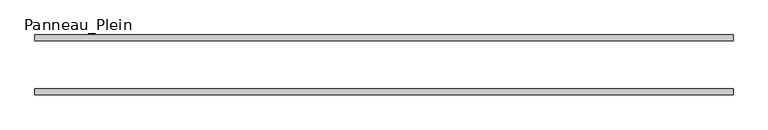
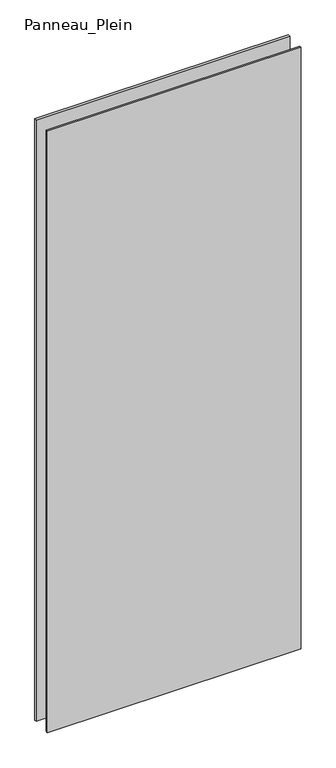
"""IFC4 building model written with IfcOpenShell, lengths in millimetres: plate geometry, Panneau_Plein."""

from ifc_helpers import new_model, si_unit, origin, origin_with_axes, place, context, project, spatial, polyline, outline, extrude, source, transform, mapped, element, save


def panneau_plein_e42096b4(model_context):
    return source(origin(), model_context, "Body", "SweptSolid", [
        extrude(outline(polyline([(584.7500002, 50.0), (584.7500002, 40.0), (-584.7500002, 40.0), (-584.7500002, 50.0), (584.7500002, 50.0)])), origin_with_axes(), (0.0, 0.0, 1.0), 2930.3804804),
        extrude(outline(polyline([(584.7500002, -40.0), (584.7500002, -50.0), (-584.7500002, -50.0), (-584.7500002, -40.0), (584.7500002, -40.0)])), origin_with_axes(), (0.0, 0.0, 1.0), 2930.3804804),
    ])


if __name__ == "__main__":
    model = new_model("IFC4")
    model_context = context("Model", 3, world=origin())
    ifc_project = project(units=[si_unit("LENGTHUNIT", "METRE", prefix="MILLI")], contexts=[model_context])
    site = spatial("IfcSite", under=ifc_project)
    building = spatial("IfcBuilding", under=site)
    placement = place(None, origin())
    panneau_plein_shape = panneau_plein_e42096b4(model_context)
    element("IfcPlate", 1, ObjectType="Panneau_Plein", at=placement, inside=building, context=model_context, shape_type="MappedRepresentation", body=[
        mapped(panneau_plein_shape, transform((0.0, 0.0, 0.0), x_axis=(1.0, 0.0, 0.0), y_axis=(0.0, 1.0, 0.0), z_axis=(0.0, 0.0, 1.0))),
    ])
    save(model, "model.ifc")
